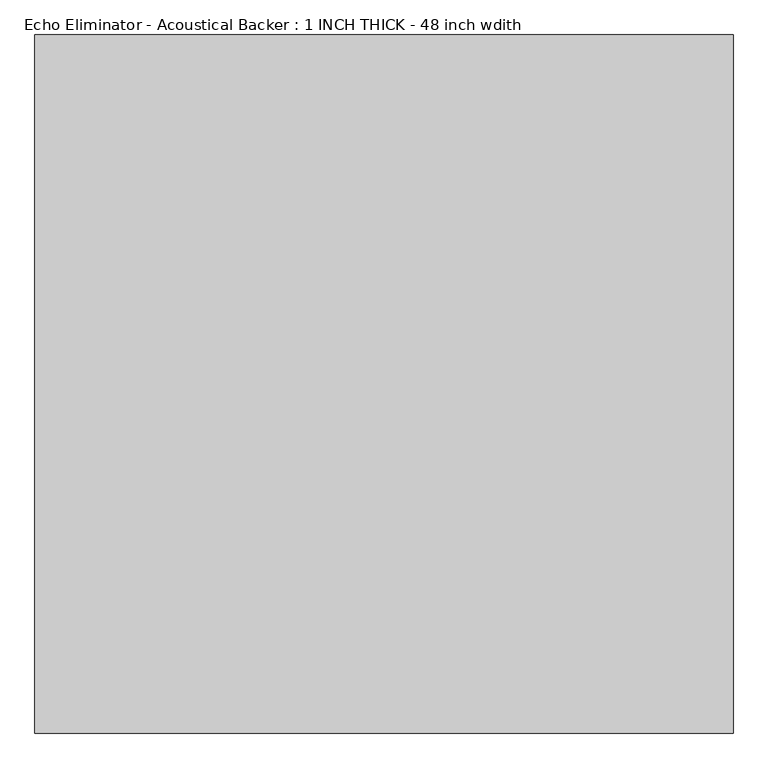
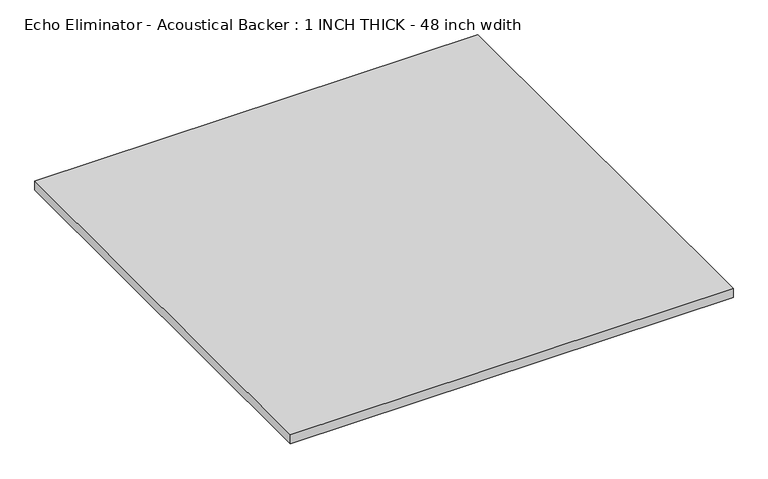
"""IFC4 building model written with IfcOpenShell, lengths in millimetres: proxy geometry, Echo Eliminator - Acoustical Backer : 1 INCH THICK - 48 inch wdith."""

from ifc_helpers import new_model, si_unit, origin, origin_with_axes, place, context, project, spatial, polyline, outline, extrude, source, transform, mapped, element, save


def echo_eliminator_acoustical_backer_1_inch_thick_48_inch_wdith_0f7442b7(model_context):
    return source(origin(), model_context, "Body", "SweptSolid", [
        extrude(outline(polyline([(-609.6, 609.6), (609.6, 609.6), (609.6, -609.6), (-609.6, -609.6), (-609.6, 609.6)])), origin_with_axes(), (0.0, 0.0, 1.0), 25.4),
    ])


if __name__ == "__main__":
    model = new_model("IFC4")
    model_context = context("Model", 3, world=origin())
    ifc_project = project(units=[si_unit("LENGTHUNIT", "METRE", prefix="MILLI")], contexts=[model_context])
    site = spatial("IfcSite", under=ifc_project)
    building = spatial("IfcBuilding", under=site)
    placement = place(None, origin())
    echo_eliminator_acoustical_backer_1_inch_thick_48_inch_wdith_shape = echo_eliminator_acoustical_backer_1_inch_thick_48_inch_wdith_0f7442b7(model_context)
    element("IfcBuildingElementProxy", 1, Name="Echo Eliminator - Acoustical Backer : 1 INCH THICK - 48 inch wdith", ObjectType="Echo Eliminator - Acoustical Backer : 1 INCH THICK - 48 inch wdith", at=placement, inside=building, context=model_context, shape_type="MappedRepresentation", body=[
        mapped(echo_eliminator_acoustical_backer_1_inch_thick_48_inch_wdith_shape, transform((0.0, 0.0, 0.0), x_axis=(1.0, 0.0, 0.0), y_axis=(0.0, 1.0, 0.0), z_axis=(0.0, 0.0, 1.0))),
    ])
    save(model, "model.ifc")
